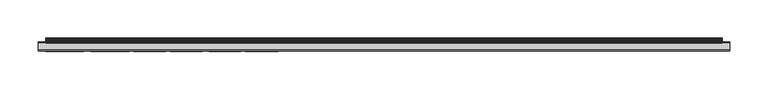
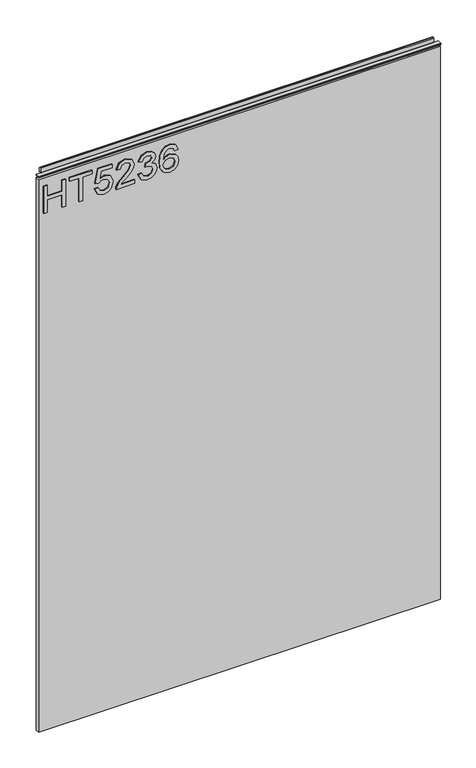
"""IFC4 building model written with IfcOpenShell, lengths in millimetres: furniture geometry."""

import ifcopenshell
import ifcopenshell.guid

model = None  # the IFC model being written
_history = None  # IfcOwnerHistory: only IFC2X3 demands one
_inside = {}  # id of a spatial element -> (the spatial element, [elements in it])
_under = {}  # id of a project, library or spatial element -> (it, [spatial elements below it])
_declared = {}  # id of a project -> (the project, [libraries it declares])
_typed = {}  # id of a type object -> (the type object, [elements of that type])
_made_of = {}  # id of a material, layer set ... -> (it, [elements and type objects made of it])


def new_model(schema):
    """Start an empty IFC model of exactly this schema.

    Asked for "IFC4X3", IfcOpenShell would pick the latest addendum, in which some entities
    have other attributes; the version numbers below select the first issue.
    IFC2X3 requires an IfcOwnerHistory on every rooted entity: one is made here for all.
    """
    global model, _history
    if schema == "IFC4X3":
        model = ifcopenshell.file(schema_version=(4, 3, 0, 0))
    else:
        model = ifcopenshell.file(schema=schema)
    _inside.clear()
    _under.clear()
    _declared.clear()
    _typed.clear()
    _made_of.clear()
    _history = None
    if model.schema == "IFC2X3":
        org = make("IfcOrganization", Name="unknown")
        user = make(
            "IfcPersonAndOrganization",
            ThePerson=make("IfcPerson", FamilyName="unknown"),
            TheOrganization=org,
        )
        app = make(
            "IfcApplication",
            ApplicationDeveloper=org,
            Version="unknown",
            ApplicationFullName="unknown",
            ApplicationIdentifier="unknown",
        )
        _history = make(
            "IfcOwnerHistory",
            OwningUser=user,
            OwningApplication=app,
            ChangeAction="ADDED",
            CreationDate=0,
        )
    return model


def make(cls, **values):
    """One entity of the class cls with the attributes given. An attribute that is None is left unset."""
    return model.create_entity(
        cls, **{name: value for name, value in values.items() if value is not None}
    )


def rooted(cls, **values):
    """An entity with a GlobalId (a new one), such as an element, a storey or a relation."""
    return make(cls, GlobalId=ifcopenshell.guid.new(), OwnerHistory=_history, **values)


def si_unit(unit_type, name, prefix=None):
    """IfcSIUnit, for example si_unit("LENGTHUNIT", "METRE", prefix="MILLI")."""
    return make("IfcSIUnit", UnitType=unit_type, Prefix=prefix, Name=name)


def assignment(units):
    """IfcUnitAssignment: the units of a project."""
    return None if units is None else make("IfcUnitAssignment", Units=units)


def point(xyz):
    """IfcCartesianPoint."""
    return None if xyz is None else make("IfcCartesianPoint", Coordinates=xyz)


def direction(xyz):
    """IfcDirection."""
    return None if xyz is None else make("IfcDirection", DirectionRatios=xyz)


def frame(location, z_axis=None, x_axis=None):
    """IfcAxis2Placement3D, a coordinate frame: its origin and axes. An axis left out is left unset."""
    return make(
        "IfcAxis2Placement3D",
        Location=point(location),
        Axis=direction(z_axis),
        RefDirection=direction(x_axis),
    )


def origin():
    """The frame at (0, 0, 0) with its axes left unset."""
    return frame((0.0, 0.0, 0.0))


def place(relative_to, where):
    """IfcLocalPlacement: puts the frame where relative to a parent placement (None: the world)."""
    return make(
        "IfcLocalPlacement", PlacementRelTo=relative_to, RelativePlacement=where
    )


def context(
    kind, dimensions, precision=None, world=None, true_north=None, identifier=None
):
    """IfcGeometricRepresentationContext, for example the 3D "Model" context."""
    return make(
        "IfcGeometricRepresentationContext",
        ContextIdentifier=identifier,
        ContextType=kind,
        CoordinateSpaceDimension=dimensions,
        Precision=precision,
        WorldCoordinateSystem=world,
        TrueNorth=true_north,
    )


def project(units=None, contexts=None):
    """IfcProject with its units and contexts."""
    return rooted(
        "IfcProject",
        Name="project",
        RepresentationContexts=contexts,
        UnitsInContext=assignment(units),
    )


def spatial(cls, under=None, at=None, **own):
    """A site, building, storey or space (cls), placed at a placement, below another one or the project."""
    s = rooted(cls, ObjectPlacement=at, **own)
    if under is not None:
        _under.setdefault(under.id(), (under, []))[1].append(s)
    return s


def polyline(points):
    """IfcPolyline through the points."""
    return make("IfcPolyline", Points=[point(p) for p in points])


def outline(outer, holes=None, kind="AREA"):
    """IfcArbitraryClosedProfileDef: a profile drawn as a closed curve; with holes, ...WithVoids."""
    if holes is None:
        return make("IfcArbitraryClosedProfileDef", ProfileType=kind, OuterCurve=outer)
    return make(
        "IfcArbitraryProfileDefWithVoids",
        ProfileType=kind,
        OuterCurve=outer,
        InnerCurves=holes,
    )


def extrude(swept, where, along, depth):
    """IfcExtrudedAreaSolid: the profile swept, set in the frame where, extruded along a direction by depth."""
    return make(
        "IfcExtrudedAreaSolid",
        SweptArea=swept,
        Position=where,
        ExtrudedDirection=direction(along),
        Depth=depth,
    )


def shape(context_of_items, identifier, shape_type, items):
    """IfcShapeRepresentation: the items that make up one representation, for example the "Body"."""
    return make(
        "IfcShapeRepresentation",
        ContextOfItems=context_of_items,
        RepresentationIdentifier=identifier,
        RepresentationType=shape_type,
        Items=items,
    )


def source(mapping_origin, context_of_items, identifier, shape_type, items):
    """IfcRepresentationMap: a shape defined once, which mapped items show again and again."""
    return make(
        "IfcRepresentationMap",
        MappingOrigin=mapping_origin,
        MappedRepresentation=shape(context_of_items, identifier, shape_type, items),
    )


def transform(
    local_origin,
    x_axis=None,
    y_axis=None,
    z_axis=None,
    scale=None,
    scale2=None,
    scale3=None,
    uniform=True,
):
    """IfcCartesianTransformationOperator3D, or its non-uniform kind. x_axis, y_axis, z_axis: its Axis1, 2, 3."""
    if uniform:
        return make(
            "IfcCartesianTransformationOperator3D",
            Axis1=direction(x_axis),
            Axis2=direction(y_axis),
            LocalOrigin=point(local_origin),
            Scale=scale,
            Axis3=direction(z_axis),
        )
    return make(
        "IfcCartesianTransformationOperator3DnonUniform",
        Axis1=direction(x_axis),
        Axis2=direction(y_axis),
        LocalOrigin=point(local_origin),
        Scale=scale,
        Axis3=direction(z_axis),
        Scale2=scale2,
        Scale3=scale3,
    )


def mapped(mapping_source, mapping_target):
    """IfcMappedItem: shows the shape of a source again, moved by a transform."""
    return make(
        "IfcMappedItem", MappingSource=mapping_source, MappingTarget=mapping_target
    )


def made_of(thing, what):
    """Note that an element or type object is made of a material, layer set ...; save() writes the relation."""
    if what is not None:
        _made_of.setdefault(what.id(), (what, []))[1].append(thing)
    return thing


def element(
    cls,
    number,
    at=None,
    inside=None,
    cuts=None,
    type_object=None,
    material=None,
    context=None,
    identifier="Body",
    shape_type=None,
    held_by="IfcProductDefinitionShape",
    body=None,
    shapes=None,
    **own,
):
    """One element of the class cls, such as IfcWall. Its Tag is "e" and its number.

    at: its placement. inside: the storey or other place that contains it. cuts: it is an
    opening in that element (IfcRelVoidsElement). A single representation is given by context,
    identifier, shape_type and body (its items); several are given by shapes. held_by: the class
    of the entity that holds the representations. save() writes the other relations.
    """
    e = rooted(cls, Tag="e%d" % number, ObjectPlacement=at, **own)
    if body is not None:
        shapes = [shape(context, identifier, shape_type, body)]
    if shapes is not None:
        e.Representation = make(held_by, Representations=shapes)
    if inside is not None:
        _inside.setdefault(inside.id(), (inside, []))[1].append(e)
    if cuts is not None:
        rooted(
            "IfcRelVoidsElement", RelatingBuildingElement=cuts, RelatedOpeningElement=e
        )
    if type_object is not None:
        _typed.setdefault(type_object.id(), (type_object, []))[1].append(e)
    return made_of(e, material)


def aggregate(whole, parts):
    """IfcRelAggregates: a whole, such as a stair, and the parts it consists of."""
    return rooted("IfcRelAggregates", RelatingObject=whole, RelatedObjects=parts)


def save(model, path):
    """Write the relations noted so far, then the file.

    IfcRelAggregates (storeys below a building ...), IfcRelContainedInSpatialStructure (elements
    in a storey), IfcRelDefinesByType, IfcRelAssociatesMaterial and IfcRelDeclares: one each for
    every whole, place, type object, material and project.
    """
    for whole, parts in _under.values():
        aggregate(whole, parts)
    for where, things in _inside.values():
        rooted(
            "IfcRelContainedInSpatialStructure",
            RelatedElements=things,
            RelatingStructure=where,
        )
    for kind, things in _typed.values():
        rooted("IfcRelDefinesByType", RelatedObjects=things, RelatingType=kind)
    for what, things in _made_of.values():
        rooted("IfcRelAssociatesMaterial", RelatedObjects=things, RelatingMaterial=what)
    for by, libraries in _declared.values():
        rooted("IfcRelDeclares", RelatingContext=by, RelatedDefinitions=libraries)
    model.write(path)


def furniture_25ca07b4(model_context):
    return source(origin(), model_context, "Body", "SweptSolid", [
        extrude(outline(polyline([(1332.4078, -288.5795281), (1332.4078, -280.6058085), (1362.3092486, -280.6058085), (1362.3092486, -246.7175001), (1332.4078, -246.7175001), (1332.4078, -238.7437805), (1396.1975569, -238.7437805), (1396.1975569, -246.7175001), (1370.2829682, -246.7175001), (1370.2829682, -280.6058085), (1396.1975569, -280.6058085), (1396.1975569, -288.5795281), (1332.4078, -288.5795281)])), frame((0.0, -5.6037602, 0.0), z_axis=(0.0, 1.0, 0.0), x_axis=(0.0, 0.0, 1.0)), (0.0, 0.0, 1.0), 2.38125),
        extrude(outline(polyline([(1332.4078, -208.8423319), (1332.4078, -200.8686123), (1388.2238373, -200.8686123), (1388.2238373, -179.9375983), (1396.1975569, -179.9375983), (1396.1975569, -229.7733459), (1388.2238373, -229.7733459), (1388.2238373, -208.8423319), (1332.4078, -208.8423319)])), frame((0.0, -5.6037602, 0.0), z_axis=(0.0, 1.0, 0.0), x_axis=(0.0, 0.0, 1.0)), (0.0, 0.0, 1.0), 2.38125),
        extrude(outline(polyline([(1349.3519542, -173.9573086), (1336.3245783, -167.735627), (1331.411085, -153.6648151), (1333.3227532, -144.2738914), (1339.0577576, -137.094429), (1353.8527451, -132.0952806), (1368.5542907, -137.6472943), (1374.269828, -151.2820434), (1369.6600213, -162.9467231), (1387.2271224, -159.5360891), (1387.2271224, -135.0854254), (1395.200842, -135.0854254), (1395.200842, -165.983589), (1362.3092486, -172.9605936), (1361.3125336, -164.986874), (1364.9100516, -160.5094436), (1366.2961084, -153.5090784), (1362.8231797, -143.4095527), (1353.3543877, -140.0690002), (1343.2081409, -143.6353709), (1339.3848047, -153.6336678), (1342.1335576, -161.9655818), (1350.3486691, -165.983589), (1349.3519542, -173.9573086)])), frame((0.0, -5.6037602, 0.0), z_axis=(0.0, 1.0, 0.0), x_axis=(0.0, 0.0, 1.0)), (0.0, 0.0, 1.0), 2.38125),
        extrude(outline(polyline([(1340.3815196, -84.2529629), (1340.3815196, -115.5716155), (1344.4384609, -111.9740975), (1352.108494, -102.8012052), (1363.0334243, -91.3779174), (1370.8514072, -86.6668819), (1378.4124245, -85.2496778), (1391.0893928, -90.5057918), (1396.1975569, -104.7790614), (1391.603324, -119.00561), (1378.2566878, -125.1182759), (1377.2599729, -117.1445563), (1385.3115608, -113.7884302), (1388.2238373, -104.9503718), (1385.2414793, -96.4705079), (1377.9296407, -93.2233975), (1368.8969115, -96.6651788), (1355.61257, -110.432304), (1346.3695962, -120.4150272), (1337.9053059, -125.258439), (1332.4078, -126.1149909), (1332.4078, -84.2529629), (1340.3815196, -84.2529629)])), frame((0.0, -5.6037602, 0.0), z_axis=(0.0, 1.0, 0.0), x_axis=(0.0, 0.0, 1.0)), (0.0, 0.0, 1.0), 2.38125),
        extrude(outline(polyline([(1349.3519542, -76.2792433), (1336.4102335, -69.9407591), (1331.411085, -55.9556024), (1332.8750101, -47.4329109), (1337.2667854, -40.5220944), (1343.7610063, -35.943435), (1351.5322681, -34.4172153), (1361.9043331, -37.4696548), (1367.355118, -46.1597633), (1372.6345925, -39.6188214), (1379.9853653, -37.4073601), (1388.0291664, -39.735624), (1394.0094562, -46.4634499), (1396.1975569, -56.0801918), (1391.7590607, -68.7571601), (1379.2534028, -75.2825283), (1378.2566878, -67.3088087), (1385.7320499, -63.3998172), (1388.2238373, -55.7998657), (1385.7554105, -48.2933562), (1379.5181552, -45.3810797), (1372.4788558, -49.3990869), (1370.2829682, -59.7244309), (1362.3092486, -60.6121301), (1363.1813742, -55.0211822), (1359.91869, -45.9573056), (1351.6724312, -42.3909349), (1342.920028, -45.9884529), (1339.3848047, -55.6752764), (1341.9544604, -63.9059616), (1350.3486691, -68.3055236), (1349.3519542, -76.2792433)])), frame((0.0, -5.6037602, 0.0), z_axis=(0.0, 1.0, 0.0), x_axis=(0.0, 0.0, 1.0)), (0.0, 0.0, 1.0), 2.38125),
        extrude(outline(polyline([(1379.2534028, 13.4251024), (1391.696766, 7.5382548), (1396.1975569, -5.0608452), (1394.3793308, -14.3154993), (1388.9246525, -21.4599209), (1378.0659103, -26.6926744), (1362.1846592, -28.4369256), (1348.0593395, -26.8659315), (1338.5749738, -22.1529493), (1333.2020572, -14.9481796), (1331.411085, -5.9018234), (1334.113117, 4.5481099), (1341.8999526, 11.789867), (1352.9027512, 14.4218174), (1361.0750351, 13.0240804), (1367.5887231, 8.8308695), (1373.273113, -4.7182244), (1371.1940279, -13.4316934), (1364.8321833, -20.4632059), (1379.0431582, -18.1972368), (1386.2927021, -12.7542387), (1388.2238373, -5.5592027), (1384.9066454, 2.4300906), (1378.2566878, 5.4513828), (1379.2534028, 13.4251024)]), holes=[polyline([(1353.0273406, -20.4632059), (1361.91212, -16.4997066), (1365.2993934, -6.8518174), (1361.91212, 2.9206613), (1352.6379988, 6.4480978), (1342.9511754, 2.8739403), (1339.3848047, -6.5247703), (1341.1056953, -13.7120195), (1346.1204174, -18.6177259), (1353.0273406, -20.4632059)])]), frame((0.0, -5.6037602, 0.0), z_axis=(0.0, 1.0, 0.0), x_axis=(0.0, 0.0, 1.0)), (0.0, 0.0, 1.0), 2.38125),
        extrude(outline(polyline([(5.5562561, 1422.4), (6.3500061, 1422.4), (6.3500061, 1432.27425), (7.1437561, 1433.068), (8.6677569, 1433.068), (10.0084363, 1432.6506926), (10.875413, 1431.5461816), (10.9623604, 1430.1447591), (10.2390011, 1427.1863459), (10.4046103, 1425.9833307), (11.6746103, 1423.7836103), (10.7786383, 1423.2663244), (7.1437561, 1423.2663244), (7.1437561, 1422.4), (6.3500061, 1422.1669239), (6.3500061, 1414.9578), (5.5562561, 1414.9578), (5.5562561, 1422.4)])), frame((-288.671, 0.0, 0.0), z_axis=(1.0, 0.0, 0.0), x_axis=(0.0, 1.0, 0.0)), (0.0, 0.0, 1.0), 882.142),
        extrude(outline(polyline([(5.5562561, 1422.4), (5.5562561, 1419.2249996), (-3.975094, 1419.2249996), (-5.3492339, 1420.0183657), (-5.3492339, 1421.6066395), (-3.9751037, 1422.4), (5.5562561, 1422.4)])), frame((-298.196, 0.0, 0.0), z_axis=(1.0, 0.0, 0.0), x_axis=(0.0, 1.0, 0.0)), (0.0, 0.0, 1.0), 901.192),
        extrude(outline(polyline([(602.996, 6.3500061), (602.996, -3.1749939), (-298.196, -3.1749939), (-298.196, 6.3500061), (602.996, 6.3500061)])), frame((0.0, 0.0, 104.69626), z_axis=(0.0, 0.0, 1.0), x_axis=(1.0, 0.0, 0.0)), (0.0, 0.0, 1.0), 1310.26154),
    ])


if __name__ == "__main__":
    model = new_model("IFC4")
    model_context = context("Model", 3, world=origin())
    ifc_project = project(units=[si_unit("LENGTHUNIT", "METRE", prefix="MILLI")], contexts=[model_context])
    site = spatial("IfcSite", under=ifc_project)
    building = spatial("IfcBuilding", under=site)
    placement = place(None, origin())
    furniture_shape = furniture_25ca07b4(model_context)
    element("IfcFurniture", 1, at=placement, inside=building, context=model_context, shape_type="MappedRepresentation", body=[
        mapped(furniture_shape, transform((0.0, 0.0, 0.0), x_axis=(1.0, 0.0, 0.0), y_axis=(0.0, 1.0, 0.0), z_axis=(0.0, 0.0, 1.0))),
    ])
    save(model, "model.ifc")
